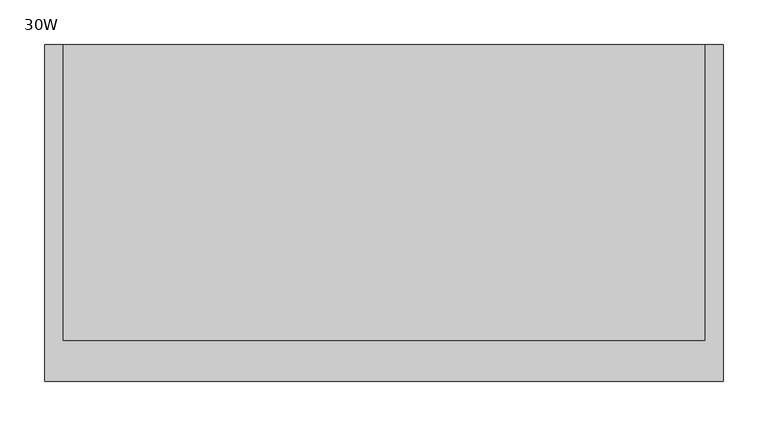
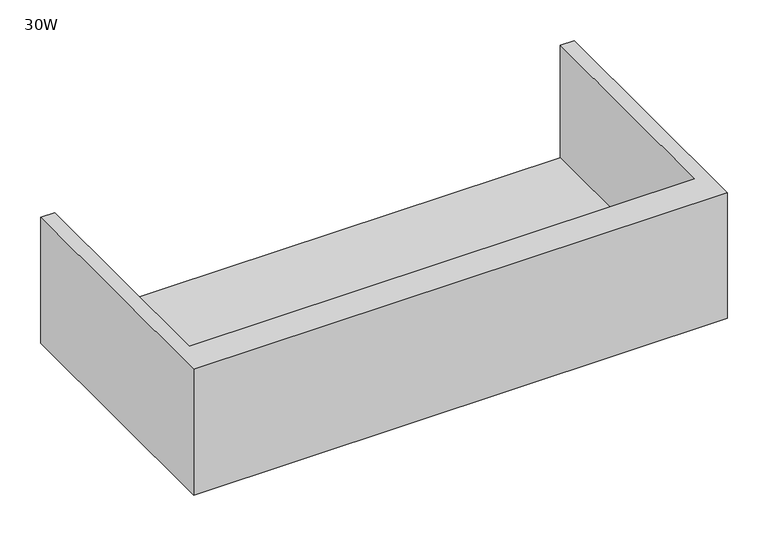
"""IFC4 building model written with IfcOpenShell, lengths in millimetres: furniture geometry, 30W."""

import ifcopenshell
import ifcopenshell.guid

model = None  # the IFC model being written
_history = None  # IfcOwnerHistory: only IFC2X3 demands one
_inside = {}  # id of a spatial element -> (the spatial element, [elements in it])
_under = {}  # id of a project, library or spatial element -> (it, [spatial elements below it])
_declared = {}  # id of a project -> (the project, [libraries it declares])
_typed = {}  # id of a type object -> (the type object, [elements of that type])
_made_of = {}  # id of a material, layer set ... -> (it, [elements and type objects made of it])


def new_model(schema):
    """Start an empty IFC model of exactly this schema.

    Asked for "IFC4X3", IfcOpenShell would pick the latest addendum, in which some entities
    have other attributes; the version numbers below select the first issue.
    IFC2X3 requires an IfcOwnerHistory on every rooted entity: one is made here for all.
    """
    global model, _history
    if schema == "IFC4X3":
        model = ifcopenshell.file(schema_version=(4, 3, 0, 0))
    else:
        model = ifcopenshell.file(schema=schema)
    _inside.clear()
    _under.clear()
    _declared.clear()
    _typed.clear()
    _made_of.clear()
    _history = None
    if model.schema == "IFC2X3":
        org = make("IfcOrganization", Name="unknown")
        user = make(
            "IfcPersonAndOrganization",
            ThePerson=make("IfcPerson", FamilyName="unknown"),
            TheOrganization=org,
        )
        app = make(
            "IfcApplication",
            ApplicationDeveloper=org,
            Version="unknown",
            ApplicationFullName="unknown",
            ApplicationIdentifier="unknown",
        )
        _history = make(
            "IfcOwnerHistory",
            OwningUser=user,
            OwningApplication=app,
            ChangeAction="ADDED",
            CreationDate=0,
        )
    return model


def make(cls, **values):
    """One entity of the class cls with the attributes given. An attribute that is None is left unset."""
    return model.create_entity(
        cls, **{name: value for name, value in values.items() if value is not None}
    )


def rooted(cls, **values):
    """An entity with a GlobalId (a new one), such as an element, a storey or a relation."""
    return make(cls, GlobalId=ifcopenshell.guid.new(), OwnerHistory=_history, **values)


def si_unit(unit_type, name, prefix=None):
    """IfcSIUnit, for example si_unit("LENGTHUNIT", "METRE", prefix="MILLI")."""
    return make("IfcSIUnit", UnitType=unit_type, Prefix=prefix, Name=name)


def assignment(units):
    """IfcUnitAssignment: the units of a project."""
    return None if units is None else make("IfcUnitAssignment", Units=units)


def point(xyz):
    """IfcCartesianPoint."""
    return None if xyz is None else make("IfcCartesianPoint", Coordinates=xyz)


def direction(xyz):
    """IfcDirection."""
    return None if xyz is None else make("IfcDirection", DirectionRatios=xyz)


def frame(location, z_axis=None, x_axis=None):
    """IfcAxis2Placement3D, a coordinate frame: its origin and axes. An axis left out is left unset."""
    return make(
        "IfcAxis2Placement3D",
        Location=point(location),
        Axis=direction(z_axis),
        RefDirection=direction(x_axis),
    )


def origin():
    """The frame at (0, 0, 0) with its axes left unset."""
    return frame((0.0, 0.0, 0.0))


def place(relative_to, where):
    """IfcLocalPlacement: puts the frame where relative to a parent placement (None: the world)."""
    return make(
        "IfcLocalPlacement", PlacementRelTo=relative_to, RelativePlacement=where
    )


def context(
    kind, dimensions, precision=None, world=None, true_north=None, identifier=None
):
    """IfcGeometricRepresentationContext, for example the 3D "Model" context."""
    return make(
        "IfcGeometricRepresentationContext",
        ContextIdentifier=identifier,
        ContextType=kind,
        CoordinateSpaceDimension=dimensions,
        Precision=precision,
        WorldCoordinateSystem=world,
        TrueNorth=true_north,
    )


def project(units=None, contexts=None):
    """IfcProject with its units and contexts."""
    return rooted(
        "IfcProject",
        Name="project",
        RepresentationContexts=contexts,
        UnitsInContext=assignment(units),
    )


def spatial(cls, under=None, at=None, **own):
    """A site, building, storey or space (cls), placed at a placement, below another one or the project."""
    s = rooted(cls, ObjectPlacement=at, **own)
    if under is not None:
        _under.setdefault(under.id(), (under, []))[1].append(s)
    return s


def faces_of(points, faces, orient=None, outer=None):
    """IfcFace entities. A face is a list of loops; a loop is a list of indices into points, from 0.

    orient and outer hold one flag for each loop. By default every Orientation is true, the
    first loop of a face is its IfcFaceOuterBound and the others are IfcFaceBound.
    """
    made = []
    for i, loops in enumerate(faces):
        bounds = []
        for j, loop in enumerate(loops):
            is_outer = j == 0 if outer is None else outer[i][j]
            bounds.append(
                make(
                    "IfcFaceOuterBound" if is_outer else "IfcFaceBound",
                    Bound=make("IfcPolyLoop", Polygon=[points[k] for k in loop]),
                    Orientation=True if orient is None else orient[i][j],
                )
            )
        made.append(make("IfcFace", Bounds=bounds))
    return made


def faceted_brep(points, faces, orient=None, outer=None, voids=None):
    """IfcFacetedBrep: a solid bounded by flat faces; with voids (closed shells), ...WithVoids."""
    shared = [point(p) for p in points]
    hull = make("IfcClosedShell", CfsFaces=faces_of(shared, faces, orient, outer))
    if voids is None:
        return make("IfcFacetedBrep", Outer=hull)
    return make(
        "IfcFacetedBrepWithVoids",
        Outer=hull,
        Voids=[
            make(cls, CfsFaces=faces_of(shared, fs, o, b)) for cls, fs, o, b in voids
        ],
    )


def shape(context_of_items, identifier, shape_type, items):
    """IfcShapeRepresentation: the items that make up one representation, for example the "Body"."""
    return make(
        "IfcShapeRepresentation",
        ContextOfItems=context_of_items,
        RepresentationIdentifier=identifier,
        RepresentationType=shape_type,
        Items=items,
    )


def source(mapping_origin, context_of_items, identifier, shape_type, items):
    """IfcRepresentationMap: a shape defined once, which mapped items show again and again."""
    return make(
        "IfcRepresentationMap",
        MappingOrigin=mapping_origin,
        MappedRepresentation=shape(context_of_items, identifier, shape_type, items),
    )


def transform(
    local_origin,
    x_axis=None,
    y_axis=None,
    z_axis=None,
    scale=None,
    scale2=None,
    scale3=None,
    uniform=True,
):
    """IfcCartesianTransformationOperator3D, or its non-uniform kind. x_axis, y_axis, z_axis: its Axis1, 2, 3."""
    if uniform:
        return make(
            "IfcCartesianTransformationOperator3D",
            Axis1=direction(x_axis),
            Axis2=direction(y_axis),
            LocalOrigin=point(local_origin),
            Scale=scale,
            Axis3=direction(z_axis),
        )
    return make(
        "IfcCartesianTransformationOperator3DnonUniform",
        Axis1=direction(x_axis),
        Axis2=direction(y_axis),
        LocalOrigin=point(local_origin),
        Scale=scale,
        Axis3=direction(z_axis),
        Scale2=scale2,
        Scale3=scale3,
    )


def mapped(mapping_source, mapping_target):
    """IfcMappedItem: shows the shape of a source again, moved by a transform."""
    return make(
        "IfcMappedItem", MappingSource=mapping_source, MappingTarget=mapping_target
    )


def made_of(thing, what):
    """Note that an element or type object is made of a material, layer set ...; save() writes the relation."""
    if what is not None:
        _made_of.setdefault(what.id(), (what, []))[1].append(thing)
    return thing


def element(
    cls,
    number,
    at=None,
    inside=None,
    cuts=None,
    type_object=None,
    material=None,
    context=None,
    identifier="Body",
    shape_type=None,
    held_by="IfcProductDefinitionShape",
    body=None,
    shapes=None,
    **own,
):
    """One element of the class cls, such as IfcWall. Its Tag is "e" and its number.

    at: its placement. inside: the storey or other place that contains it. cuts: it is an
    opening in that element (IfcRelVoidsElement). A single representation is given by context,
    identifier, shape_type and body (its items); several are given by shapes. held_by: the class
    of the entity that holds the representations. save() writes the other relations.
    """
    e = rooted(cls, Tag="e%d" % number, ObjectPlacement=at, **own)
    if body is not None:
        shapes = [shape(context, identifier, shape_type, body)]
    if shapes is not None:
        e.Representation = make(held_by, Representations=shapes)
    if inside is not None:
        _inside.setdefault(inside.id(), (inside, []))[1].append(e)
    if cuts is not None:
        rooted(
            "IfcRelVoidsElement", RelatingBuildingElement=cuts, RelatedOpeningElement=e
        )
    if type_object is not None:
        _typed.setdefault(type_object.id(), (type_object, []))[1].append(e)
    return made_of(e, material)


def aggregate(whole, parts):
    """IfcRelAggregates: a whole, such as a stair, and the parts it consists of."""
    return rooted("IfcRelAggregates", RelatingObject=whole, RelatedObjects=parts)


def save(model, path):
    """Write the relations noted so far, then the file.

    IfcRelAggregates (storeys below a building ...), IfcRelContainedInSpatialStructure (elements
    in a storey), IfcRelDefinesByType, IfcRelAssociatesMaterial and IfcRelDeclares: one each for
    every whole, place, type object, material and project.
    """
    for whole, parts in _under.values():
        aggregate(whole, parts)
    for where, things in _inside.values():
        rooted(
            "IfcRelContainedInSpatialStructure",
            RelatedElements=things,
            RelatingStructure=where,
        )
    for kind, things in _typed.values():
        rooted("IfcRelDefinesByType", RelatedObjects=things, RelatingType=kind)
    for what, things in _made_of.values():
        rooted("IfcRelAssociatesMaterial", RelatedObjects=things, RelatingMaterial=what)
    for by, libraries in _declared.values():
        rooted("IfcRelDeclares", RelatingContext=by, RelatedDefinitions=libraries)
    model.write(path)


def furniture_30w_686573e4(model_context):
    return source(origin(), model_context, "Body", "Brep", [
        faceted_brep([(20.1673737, 320.802, 1115.6696643), (20.1673737, -11.5824326, 1115.6696643), (740.8166263, -11.5824326, 1115.6696643), (740.8166263, 320.802, 1115.6696643), (0.0, 320.802, 1095.502), (760.984, 320.802, 1095.502), (760.984, -57.15, 1095.502), (0.0, -57.15, 1095.502), (760.984, -57.15, 1284.9860736), (0.0, -57.15, 1284.9860736), (740.8166263, 320.802, 1284.9860736), (760.984, 320.802, 1284.9860736), (0.0, 320.802, 1284.9860736), (20.1673737, 320.802, 1284.9860736), (740.8166263, -11.5824326, 1284.9860736), (20.1673737, -11.5824326, 1284.9860736)], [[[0, 1, 2, 3]], [[4, 5, 6, 7]], [[8, 9, 7, 6]], [[3, 10, 11, 5, 4, 12, 13, 0]], [[8, 11, 10, 14, 15, 13, 12, 9]], [[12, 4, 7, 9]], [[13, 15, 1, 0]], [[8, 6, 5, 11]], [[3, 2, 14, 10]], [[14, 2, 1, 15]]]),
    ])


if __name__ == "__main__":
    model = new_model("IFC4")
    model_context = context("Model", 3, world=origin())
    ifc_project = project(units=[si_unit("LENGTHUNIT", "METRE", prefix="MILLI")], contexts=[model_context])
    site = spatial("IfcSite", under=ifc_project)
    building = spatial("IfcBuilding", under=site)
    placement = place(None, origin())
    furniture_30w_shape = furniture_30w_686573e4(model_context)
    element("IfcFurniture", 1, ObjectType="30W", at=placement, inside=building, context=model_context, shape_type="MappedRepresentation", body=[
        mapped(furniture_30w_shape, transform((0.0, 0.0, 0.0), x_axis=(1.0, 0.0, 0.0), y_axis=(0.0, 1.0, 0.0), z_axis=(0.0, 0.0, 1.0))),
    ])
    save(model, "model.ifc")
